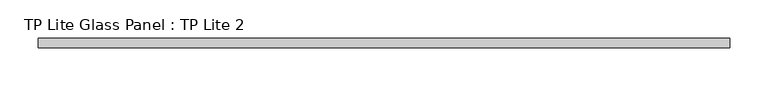
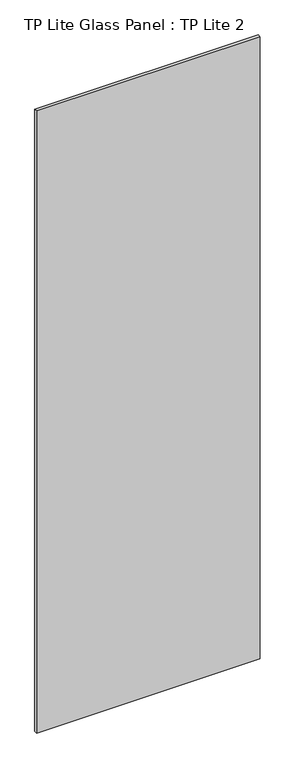
"""IFC4 building model written with IfcOpenShell, lengths in millimetres: plate geometry, TP Lite Glass Panel : TP Lite 2."""

from ifc_helpers import new_model, si_unit, origin, origin_with_axes, place, context, project, spatial, polyline, outline, extrude, source, transform, mapped, element, save


def tp_lite_glass_panel_tp_lite_2_aedc5b6d(model_context):
    return source(origin(), model_context, "Body", "SweptSolid", [
        extrude(outline(polyline([(449.0, 6.0), (449.0, -6.0), (-449.0, -6.0), (-449.0, 6.0), (449.0, 6.0)])), origin_with_axes(), (0.0, 0.0, 1.0), 2640.0000015),
    ])


if __name__ == "__main__":
    model = new_model("IFC4")
    model_context = context("Model", 3, world=origin())
    ifc_project = project(units=[si_unit("LENGTHUNIT", "METRE", prefix="MILLI")], contexts=[model_context])
    site = spatial("IfcSite", under=ifc_project)
    building = spatial("IfcBuilding", under=site)
    placement = place(None, origin())
    tp_lite_glass_panel_tp_lite_2_shape = tp_lite_glass_panel_tp_lite_2_aedc5b6d(model_context)
    element("IfcPlate", 1, ObjectType="TP Lite Glass Panel : TP Lite 2", at=placement, inside=building, context=model_context, shape_type="MappedRepresentation", body=[
        mapped(tp_lite_glass_panel_tp_lite_2_shape, transform((0.0, 0.0, 0.0), x_axis=(1.0, 0.0, 0.0), y_axis=(0.0, 1.0, 0.0), z_axis=(0.0, 0.0, 1.0))),
    ])
    save(model, "model.ifc")
